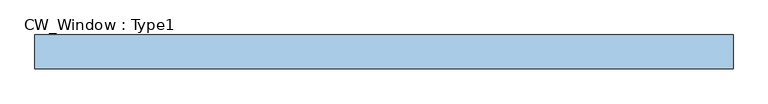
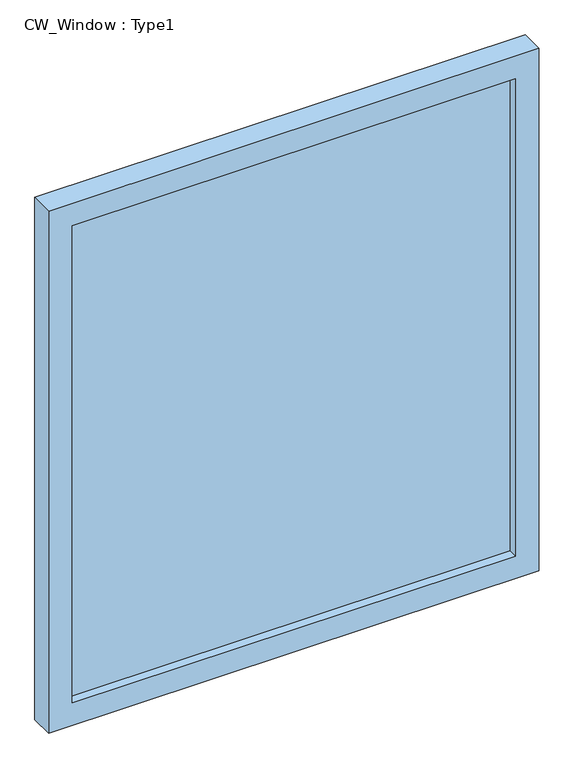
"""IFC4 building model written with IfcOpenShell, lengths in millimetres: window geometry, CW_Window : Type1."""

from ifc_helpers import new_model, si_unit, frame, origin, place, context, project, spatial, polyline, outline, extrude, source, transform, mapped, element, save


def cw_window_type1_8da5bbbb(model_context):
    return source(origin(), model_context, "Body", "SweptSolid", [
        extrude(outline(polyline([(1185.3333333, -527.05), (0.0, -527.05), (0.0, 527.05), (1185.3333333, 527.05), (1185.3333333, -527.05)]), holes=[polyline([(1134.5333333, -476.25), (1134.5333333, 476.25), (50.8, 476.25), (50.8, -476.25), (1134.5333333, -476.25)])]), frame((0.0, -50.8, 0.0), z_axis=(0.0, 1.0, 0.0), x_axis=(0.0, 0.0, 1.0)), (0.0, 0.0, 1.0), 50.8),
        extrude(outline(polyline([(476.25, -31.75), (-476.25, -31.75), (-476.25, -19.05), (476.25, -19.05), (476.25, -31.75)])), frame((0.0, 0.0, 50.8), z_axis=(0.0, 0.0, 1.0), x_axis=(1.0, 0.0, 0.0)), (0.0, 0.0, 1.0), 1083.7333333),
    ])


if __name__ == "__main__":
    model = new_model("IFC4")
    model_context = context("Model", 3, world=origin())
    ifc_project = project(units=[si_unit("LENGTHUNIT", "METRE", prefix="MILLI")], contexts=[model_context])
    site = spatial("IfcSite", under=ifc_project)
    building = spatial("IfcBuilding", under=site)
    placement = place(None, origin())
    cw_window_type1_shape = cw_window_type1_8da5bbbb(model_context)
    element("IfcWindow", 1, ObjectType="CW_Window : Type1", at=placement, inside=building, context=model_context, shape_type="MappedRepresentation", body=[
        mapped(cw_window_type1_shape, transform((0.0, 0.0, 0.0), x_axis=(1.0, 0.0, 0.0), y_axis=(0.0, 1.0, 0.0), z_axis=(0.0, 0.0, 1.0))),
    ])
    save(model, "model.ifc")
